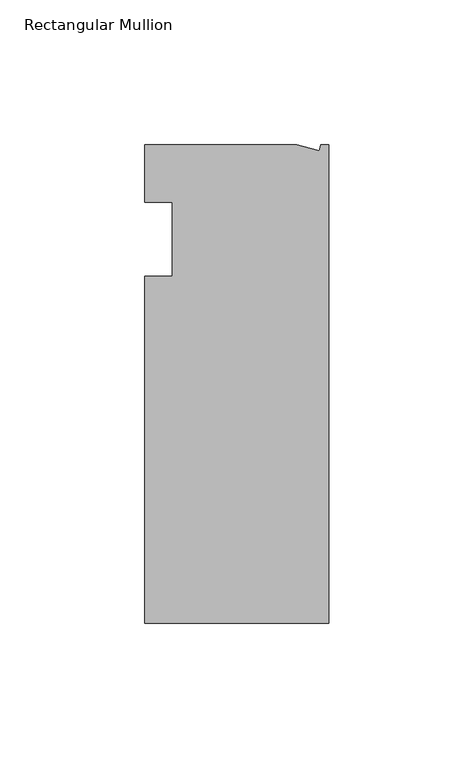
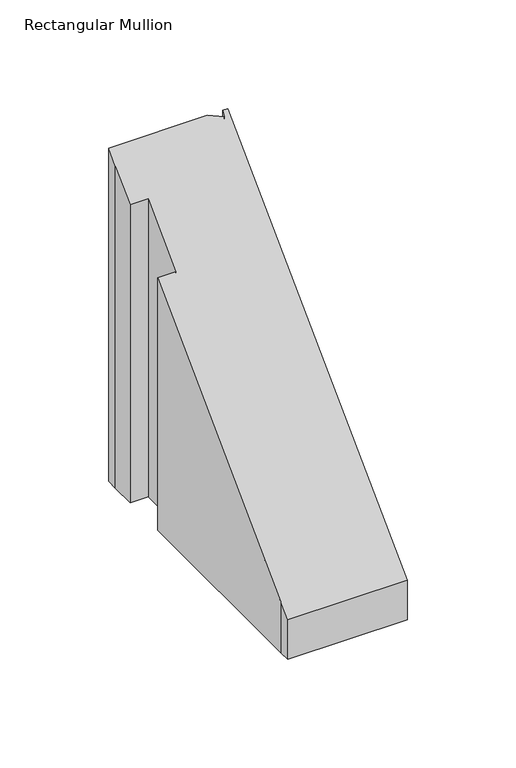
"""IFC4 building model written with IfcOpenShell, lengths in millimetres: member geometry, Rectangular Mullion."""

from ifc_helpers import new_model, si_unit, origin, place, context, project, spatial, faceted_brep, source, transform, mapped, element, save


def rectangular_mullion_40b60419(model_context):
    return source(origin(), model_context, "Body", "Brep", [
        faceted_brep([(0.0, -132.5561012, -154.8113404), (-63.5, -132.5561012, -154.8113404), (-63.5, -126.2061012, -154.8113404), (-63.5, -12.8488281, -154.8113404), (-53.975, -12.8488281, -154.8113404), (-53.975, 12.7, -154.8113404), (-63.5, 12.7, -154.8113404), (-63.5, 26.1938988, -154.8113404), (-63.5076469, 32.5438988, -154.8113404), (-11.1125, 32.5438988, -154.8113404), (-3.3223696, 30.4565397, -154.8113404), (-2.7630634, 32.5438988, -154.8113404), (0.0, 32.5438988, -154.8113404), (-63.5, 12.7, 12.7), (-63.5, 26.1938988, 26.1938988), (-53.975, 12.7, 12.7), (-53.975, -12.8488281, -12.8488281), (-63.5, -12.8488281, -12.8488281), (-63.5, -126.2061012, -126.2061012), (0.0, -132.5561012, -132.5561012), (-63.5, -132.5561012, -132.5561012), (0.0, 32.5438988, 32.5438988), (-2.7630634, 32.5438988, 32.5438988), (-3.3223696, 30.4565397, 30.4565397), (-11.1125, 32.5438988, 32.5438988), (-63.5076469, 32.5438988, 32.5438988)], [[[0, 1, 2, 3, 4, 5, 6, 7, 8, 9, 10, 11, 12]], [[13, 14, 7, 6]], [[15, 13, 6, 5]], [[16, 15, 5, 4]], [[17, 16, 4, 3]], [[18, 17, 3, 2]], [[19, 20, 1, 0]], [[21, 19, 0, 12]], [[22, 21, 12, 11]], [[23, 22, 11, 10]], [[24, 23, 10, 9]], [[25, 24, 9, 8]], [[19, 21, 22, 23, 24, 25, 14, 13, 15, 16, 17, 18, 20]], [[14, 25, 8, 7]], [[20, 18, 2, 1]]]),
    ])


if __name__ == "__main__":
    model = new_model("IFC4")
    model_context = context("Model", 3, world=origin())
    ifc_project = project(units=[si_unit("LENGTHUNIT", "METRE", prefix="MILLI")], contexts=[model_context])
    site = spatial("IfcSite", under=ifc_project)
    building = spatial("IfcBuilding", under=site)
    placement = place(None, origin())
    rectangular_mullion_shape = rectangular_mullion_40b60419(model_context)
    element("IfcMember", 1, ObjectType="Rectangular Mullion", at=placement, inside=building, context=model_context, shape_type="MappedRepresentation", body=[
        mapped(rectangular_mullion_shape, transform((0.0, 0.0, 0.0), x_axis=(1.0, 0.0, 0.0), y_axis=(0.0, 1.0, 0.0), z_axis=(0.0, 0.0, 1.0))),
    ])
    save(model, "model.ifc")
